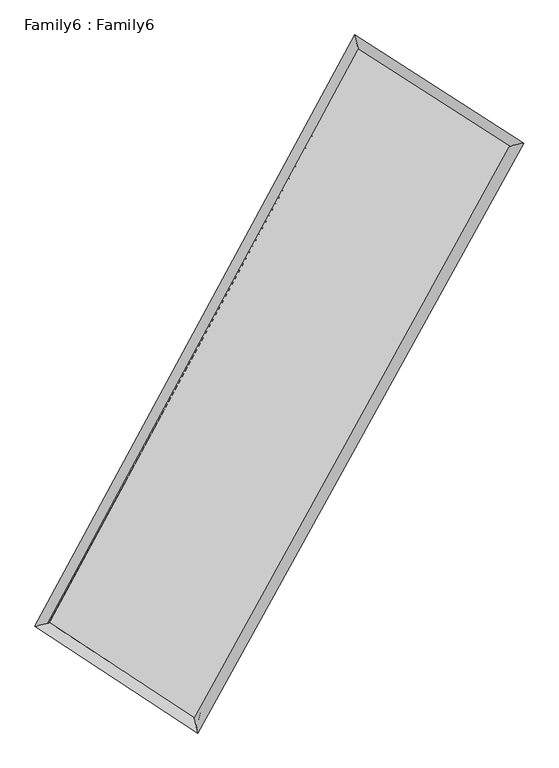
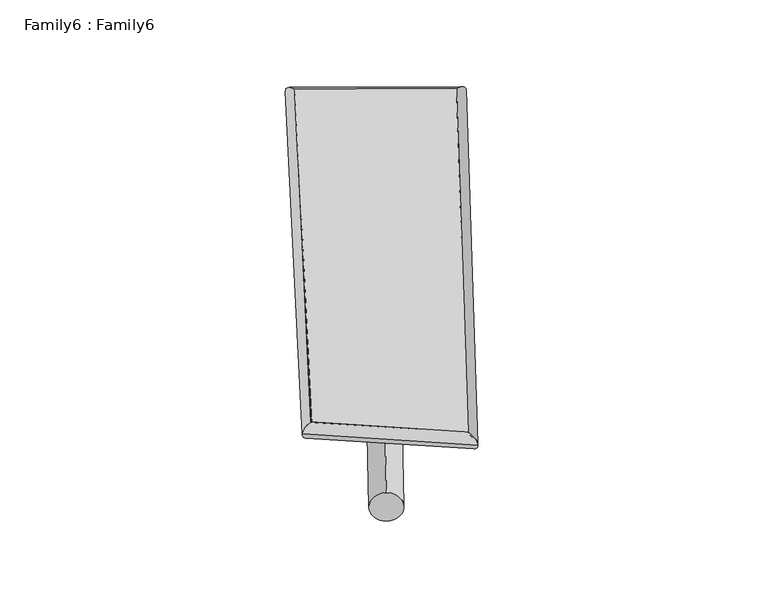
"""IFC4 building model written with IfcOpenShell, lengths in millimetres: plate geometry, Family6 : Family6."""

from ifc_helpers import new_model, si_unit, point, frame, origin, origin_2d, place, context, project, spatial, circle_curve, ellipse_curve, trimmed, segment, composite_curve, outline, extrude, source, transform, mapped, element, save
from ifc_brep_helpers import plane_surface, cylinder_surface, spline_surface, advanced_brep


def family6_family6_c626af8d(model_context):
    return source(origin(), model_context, "Body", "SolidModel", [
        extrude(outline(composite_curve([segment(trimmed(circle_curve(origin_2d(), 76.2), [point((-75.4341515, -10.7763073))], [point((75.4341515, 10.7763073))], False, "CARTESIAN"), True, "CONTINUOUS"), segment(trimmed(circle_curve(origin_2d(), 76.2), [point((75.4341515, 10.7763073))], [point((-75.4341515, -10.7763073))], False, "CARTESIAN"), True, "CONTINUOUS")], self_intersect=False)), frame((9144.0, 9144.0, 0.0), z_axis=(0.6700912344089647, 0.6841514995311309, 0.2879487163672989), x_axis=(-0.6777619667675322, 0.7221213308281637, -0.138490071724902)), (0.0, 0.0, 1.0), 5468.8980349),
        extrude(outline(composite_curve([segment(trimmed(circle_curve(origin_2d(), 76.2), [point((-53.8815368, 53.8815368))], [point((53.8815368, -53.8815368))], False, "CARTESIAN"), True, "CONTINUOUS"), segment(trimmed(circle_curve(origin_2d(), 76.2), [point((53.8815368, -53.8815368))], [point((-53.8815368, 53.8815368))], False, "CARTESIAN"), True, "CONTINUOUS")], self_intersect=False)), frame((9144.0, 9144.0, 0.0), z_axis=(-0.6639449285701088, -0.6895550028264138, 0.2892940198191067), x_axis=(0.6534085098881381, -0.346846667791671, 0.6728704988685247)), (0.0, 0.0, 1.0), 5447.4479706),
        extrude(outline(composite_curve([segment(trimmed(circle_curve(origin_2d(), 76.2), [point((-53.8815367, -53.8815368))], [point((53.8815367, 53.8815368))], False, "CARTESIAN"), True, "CONTINUOUS"), segment(trimmed(circle_curve(origin_2d(), 76.2), [point((53.8815367, 53.8815368))], [point((-53.8815367, -53.8815368))], False, "CARTESIAN"), True, "CONTINUOUS")], self_intersect=False)), frame((9144.0, 9144.0, 0.0), z_axis=(0.2258509744326293, 0.9384592260750446, 0.2613151705172512), x_axis=(-0.8465840501183328, 0.32179318738790336, -0.4239629590376665)), (0.0, 0.0, 1.0), 5622.7428987),
        extrude(outline(composite_curve([segment(trimmed(circle_curve(origin_2d(), 76.2), [point((-75.4341515, 10.7763074))], [point((75.4341515, -10.7763074))], False, "CARTESIAN"), True, "CONTINUOUS"), segment(trimmed(circle_curve(origin_2d(), 76.2), [point((75.4341515, -10.7763074))], [point((-75.4341515, 10.7763074))], False, "CARTESIAN"), True, "CONTINUOUS")], self_intersect=False)), frame((9144.0, 9144.0, 0.0), z_axis=(-0.23335898541391287, -0.9366814499289539, 0.2610966205939514), x_axis=(0.8915924021184428, -0.098948829927298, 0.4418960483424623)), (0.0, 0.0, 1.0), 5622.2273073),
        advanced_brep(
        [(5326.9444352, 5337.3061114, 1568.7709807), (5326.712778, 5336.9058856, 1585.7208518), (5727.4446574, 5438.0638871, 1583.0572617), (10469.6653243, 14204.0115208, 1479.6032145), (10358.1386009, 14637.4183774, 1459.0128241), (5727.6763146, 5438.4641129, 1566.1073905), (12606.2581867, 12834.3485675, 1573.6889303), (13011.0630834, 12936.7610152, 1575.8354079), (7778.0397624, 4095.2343865, 1470.0573754), (7885.9657172, 3660.2935615, 1465.8317249)],
        [
            (0, 1, ellipse_curve(frame((5527.1945463, 5387.6849993, 1575.9141212), z_axis=(-0.2445864263430043, 0.9694304346629545, 0.01954769546399562), x_axis=(-0.9687912681682885, -0.24516291364827564, 0.03658721760898617)), 207.0551881, 152.4)),
            (1, 2, ellipse_curve(frame((5527.1945463, 5387.6849993, 1575.9141212), z_axis=(-0.2445864263430043, 0.9694304346629545, 0.01954769546399562), x_axis=(-0.9687912681682885, -0.24516291364827564, 0.03658721760898617)), 207.0551881, 152.4)),
            (2, 3),
            (3, 4, ellipse_curve(frame((10413.9019626, 14420.7149491, 1469.3080193), z_axis=(-0.968039050240732, -0.25003248264000094, -0.019599868211272554), x_axis=(0.2493354698648008, -0.9678765939982096, 0.0323530872981883)), 224.0239379, 152.4)),
            (4, 0),
            (2, 5, ellipse_curve(frame((5527.1945463, 5387.6849993, 1575.9141212), z_axis=(-0.2445864263430043, 0.9694304346629545, 0.01954769546399562), x_axis=(-0.9687912681682885, -0.24516291364827564, 0.03658721760898617)), 207.0551881, 152.4)),
            (5, 0, ellipse_curve(frame((5527.1945463, 5387.6849993, 1575.9141212), z_axis=(-0.2445864263430043, 0.9694304346629545, 0.01954769546399562), x_axis=(-0.9687912681682885, -0.24516291364827564, 0.03658721760898617)), 207.0551881, 152.4)),
            (4, 3, ellipse_curve(frame((10413.9019626, 14420.7149491, 1469.3080193), z_axis=(-0.968039050240732, -0.25003248264000094, -0.019599868211272554), x_axis=(0.2493354698648008, -0.9678765939982096, 0.0323530872981883)), 224.0239379, 152.4)),
            (3, 6),
            (6, 7, ellipse_curve(frame((12808.6606351, 12885.5547914, 1574.7621691), z_axis=(-0.24513273631198476, 0.9693172906573786, -0.018273796016093916), x_axis=(-0.9687404845158952, -0.24564062280193663, -0.03467791933471638)), 208.8621486, 152.4)),
            (7, 4),
            (7, 6, ellipse_curve(frame((12808.6606351, 12885.5547914, 1574.7621691), z_axis=(-0.24513273631198476, 0.9693172906573786, -0.018273796016093916), x_axis=(-0.9687404845158952, -0.24564062280193663, -0.03467791933471638)), 208.8621486, 152.4)),
            (6, 8),
            (8, 9, ellipse_curve(frame((7832.0027398, 3877.763974, 1467.9445501), z_axis=(0.9703004806853208, 0.24097537941723232, -0.02116231784461404), x_axis=(-0.24019795652600662, 0.9701361925720434, 0.033774391816135056)), 224.1528337, 152.4)),
            (9, 7),
            (9, 8, ellipse_curve(frame((7832.0027398, 3877.763974, 1467.9445501), z_axis=(0.9703004806853208, 0.24097537941723232, -0.02116231784461404), x_axis=(-0.24019795652600662, 0.9701361925720434, 0.033774391816135056)), 224.1528337, 152.4)),
            (8, 5),
            (1, 9),
        ],
        [
            cylinder_surface(frame((5527.1945463, 5387.6849993, 1575.9141212), z_axis=(-0.47579192103470935, -0.8794966234751957, 0.01037965191279169), x_axis=(-0.8784236222641407, 0.4745461451791909, -0.056372829837756634)), 152.4),
            cylinder_surface(frame((10413.9019626, 14420.7149491, 1469.3080193), z_axis=(-0.8412918926699994, 0.5393102067147819, -0.037046622801407136), x_axis=(0.5403369619740551, 0.8409944109393775, -0.02764721131286186)), 152.4),
            cylinder_surface(frame((12808.6606351, 12885.5547914, 1574.7621691), z_axis=(0.48356092731380385, 0.8752491676887864, 0.010379019004745763), x_axis=(0.875306612873862, -0.48356092731380385, -0.002676384632516945)), 152.4),
            cylinder_surface(frame((7832.0027398, 3877.763974, 1467.9445501), z_axis=(0.835840579651592, -0.5475740968487803, -0.039155253388700205), x_axis=(-0.5468449244430756, -0.8367541010940526, 0.028340834728902687)), 152.4),
        ],
        [
            (0, [[1, 2, 3, 4, 5]]),
            (0, [[6, 7, -5, 8, -3]]),
            (1, [[-4, 9, 10, 11]]),
            (1, [[-8, -11, 12, -9]]),
            (2, [[-10, 13, 14, 15]]),
            (2, [[-12, -15, 16, -13]]),
            (3, [[-14, 17, -6, -2, 18]]),
            (3, [[-16, -18, -1, -7, -17]]),
        ],
    ),
        extrude(outline(composite_curve([segment(trimmed(circle_curve(origin_2d(), 304.8), [point((1e-07, 304.7999999))], [point((1e-07, -304.8))], False, "CARTESIAN"), True, "CONTINUOUS"), segment(trimmed(circle_curve(origin_2d(), 304.8), [point((1e-07, -304.8))], [point((1e-07, 304.7999999))], False, "CARTESIAN"), True, "CONTINUOUS")], self_intersect=False)), frame((11667.7379936, 13636.8408212, -0.0817261), z_axis=(-0.48974742219274087, -0.8718643599804057, 1.5859463445846873e-05), x_axis=(-0.871864360114776, 0.489747422192741, -4.149409276666188e-06)), (0.0, 0.0, 1.0), 10306.28393),
        advanced_brep(
        [(5527.1945463, 5387.6849993, 1575.9141212), (7832.0027398, 3877.763974, 1467.9445501), (7831.9776134, 3877.7734855, 1620.3445478), (5527.1694199, 5387.6945107, 1728.3141188), (12808.6606351, 12885.5547914, 1574.7621691), (12808.6355087, 12885.5643028, 1727.1621667), (10413.9019626, 14420.7149491, 1469.3080193), (10413.8768363, 14420.7244606, 1621.708017)],
        [
            (0, 1),
            (1, 2),
            (2, 3),
            (3, 0),
            (1, 4),
            (4, 5),
            (5, 2),
            (4, 6),
            (6, 7),
            (7, 5),
            (6, 0),
            (3, 7),
        ],
        [
            plane_surface(frame((6679.5986431, 4632.7244866, 1521.9293356), z_axis=(-0.547995582156005, -0.8364812254214803, -3.81428934761556e-05), x_axis=(0.8358405796515922, -0.5475740968487801, -0.039155253388700205))),
            plane_surface(frame((10320.3316874, 8381.6593827, 1521.3533596), z_axis=(0.8752954250047157, -0.4835885529230243, 0.00017449249204797013), x_axis=(0.48356092731380396, 0.8752491676887864, 0.010379019004745759))),
            plane_surface(frame((11611.2812989, 13653.1348702, 1522.0350942), z_axis=(0.5396795393498286, 0.8418705324927427, 3.643546299069572e-05), x_axis=(-0.8412918926699993, 0.5393102067147819, -0.03704662280140713))),
            plane_surface(frame((7970.5482545, 9904.1999742, 1522.6110702), z_axis=(-0.8795448540174678, 0.4758159510236128, -0.00017470800300738686), x_axis=(-0.47579192103470946, -0.8794966234751957, 0.010379651912791669))),
            spline_surface(1, 1, [[(7831.9776134, 3877.7734855, 1620.3445478), (5527.1694199, 5387.6945107, 1728.3141188)], [(12808.6355087, 12885.5643028, 1727.1621667), (10413.8768363, 14420.7244606, 1621.708017)]], [2, 2], [2, 2], [0.0, 1.0], [0.0, 1.0]),
            spline_surface(1, 1, [[(10413.9019626, 14420.7149491, 1469.3080193), (5527.1945463, 5387.6849993, 1575.9141212)], [(12808.6606351, 12885.5547914, 1574.7621691), (7832.0027398, 3877.763974, 1467.9445501)]], [2, 2], [2, 2], [0.0, 1.0], [0.0, 1.0]),
        ],
        [
            (0, [[1, 2, 3, 4]]),
            (1, [[5, 6, 7, -2]]),
            (2, [[8, 9, 10, -6]]),
            (3, [[11, -4, 12, -9]]),
            (4, [[-3, -7, -10, -12]]),
            (5, [[-11, -8, -5, -1]]),
        ],
    ),
    ])


if __name__ == "__main__":
    model = new_model("IFC4")
    model_context = context("Model", 3, world=origin())
    ifc_project = project(units=[si_unit("LENGTHUNIT", "METRE", prefix="MILLI")], contexts=[model_context])
    site = spatial("IfcSite", under=ifc_project)
    building = spatial("IfcBuilding", under=site)
    placement = place(None, origin())
    family6_family6_shape = family6_family6_c626af8d(model_context)
    element("IfcPlate", 1, ObjectType="Family6 : Family6", at=placement, inside=building, context=model_context, shape_type="MappedRepresentation", body=[
        mapped(family6_family6_shape, transform((0.0, 0.0, 0.0), x_axis=(1.0, 0.0, 0.0), y_axis=(0.0, 1.0, 0.0), z_axis=(0.0, 0.0, 1.0))),
    ])
    save(model, "model.ifc")
